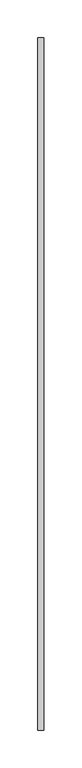
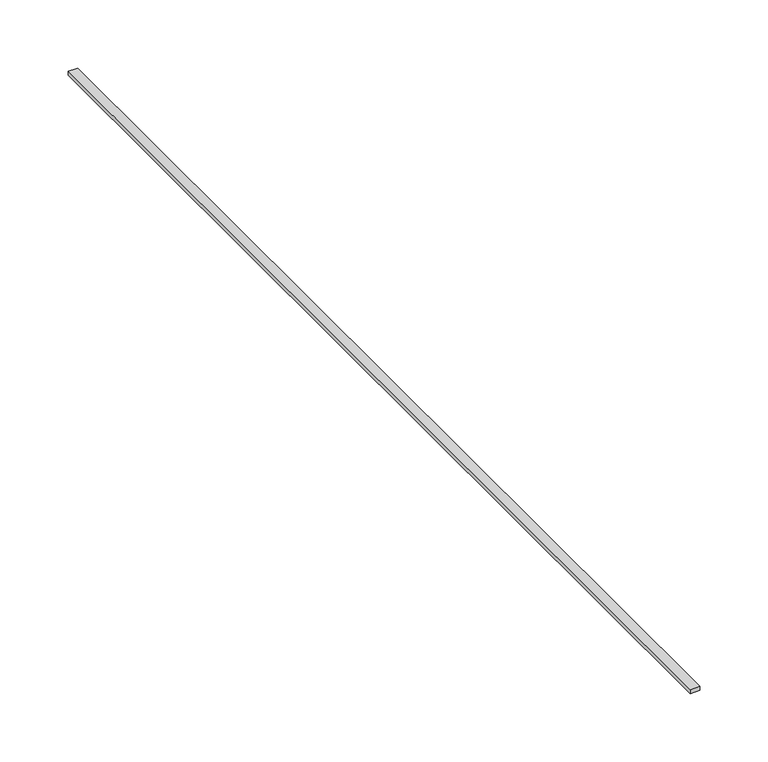
"""IFC4 building model written with IfcOpenShell, lengths in millimetres: proxy geometry."""

from ifc_helpers import new_model, si_unit, frame, origin, place, context, project, spatial, polyline, outline, extrude, source, transform, mapped, element, save


def generic_models_0590f380(model_context):
    return source(origin(), model_context, "Body", "SweptSolid", [
        extrude(outline(polyline([(37960.5436491, -23977.1529893), (37960.5436491, -24891.5529893), (37952.5241165, -24891.5529893), (37952.5241165, -23977.1529893), (37960.5436491, -23977.1529893)])), frame((0.0, 0.0, 5646.370117), z_axis=(0.0, 0.0, 1.0), x_axis=(1.0, 0.0, 0.0)), (0.0, 0.0, 1.0), 3.604492),
    ])


if __name__ == "__main__":
    model = new_model("IFC4")
    model_context = context("Model", 3, world=origin())
    ifc_project = project(units=[si_unit("LENGTHUNIT", "METRE", prefix="MILLI")], contexts=[model_context])
    site = spatial("IfcSite", under=ifc_project)
    building = spatial("IfcBuilding", under=site)
    placement = place(None, origin())
    generic_models_shape = generic_models_0590f380(model_context)
    element("IfcBuildingElementProxy", 1, Name="Generic Models", at=placement, inside=building, context=model_context, shape_type="MappedRepresentation", body=[
        mapped(generic_models_shape, transform((0.0, 0.0, 0.0), x_axis=(1.0, 0.0, 0.0), y_axis=(0.0, 1.0, 0.0), z_axis=(0.0, 0.0, 1.0))),
    ])
    save(model, "model.ifc")
